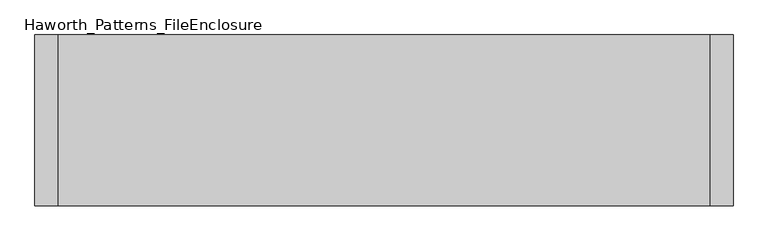
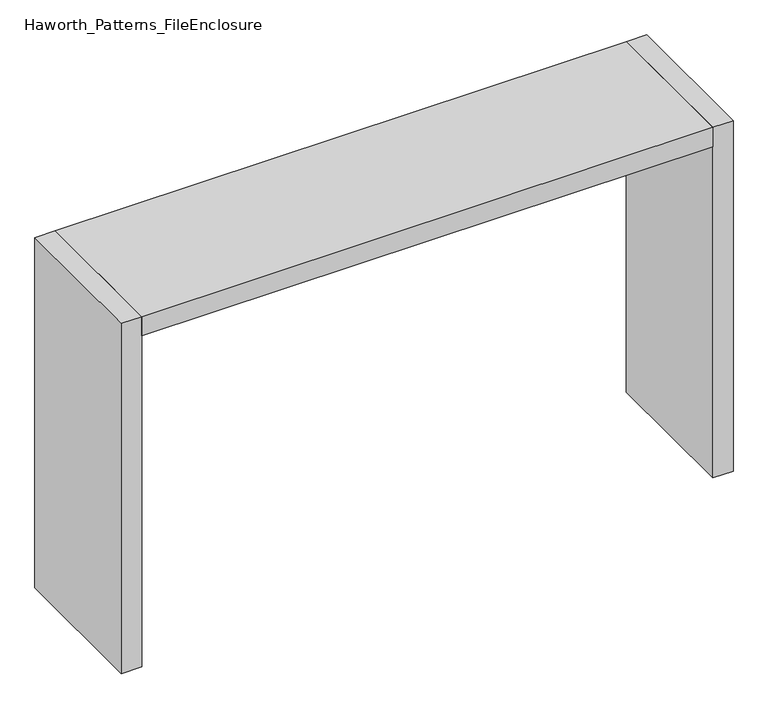
"""IFC4 building model written with IfcOpenShell, lengths in millimetres: furniture geometry, Haworth_Patterns_FileEnclosure."""

from ifc_helpers import new_model, si_unit, frame, origin, origin_with_axes, place, context, project, spatial, polyline, outline, extrude, source, transform, mapped, element, save


def haworth_patterns_fileenclosure_02af2caf(model_context):
    return source(origin(), model_context, "Body", "SweptSolid", [
        extrude(outline(polyline([(1066.8, 0.0), (1066.8, -558.8), (-1066.8, -558.8), (-1066.8, 0.0), (1066.8, 0.0)])), frame((0.0, 0.0, 1308.1), z_axis=(0.0, 0.0, 1.0), x_axis=(1.0, 0.0, 0.0)), (0.0, 0.0, 1.0), 76.2),
        extrude(outline(polyline([(1066.8, 0.0), (1143.0, 0.0), (1143.0, -558.8), (1066.8, -558.8), (1066.8, 0.0)])), origin_with_axes(), (0.0, 0.0, 1.0), 1384.3),
        extrude(outline(polyline([(-1066.8, 0.0), (-1066.8, -558.8), (-1143.0, -558.8), (-1143.0, 0.0), (-1066.8, 0.0)])), origin_with_axes(), (0.0, 0.0, 1.0), 1384.3),
    ])


if __name__ == "__main__":
    model = new_model("IFC4")
    model_context = context("Model", 3, world=origin())
    ifc_project = project(units=[si_unit("LENGTHUNIT", "METRE", prefix="MILLI")], contexts=[model_context])
    site = spatial("IfcSite", under=ifc_project)
    building = spatial("IfcBuilding", under=site)
    placement = place(None, origin())
    haworth_patterns_fileenclosure_shape = haworth_patterns_fileenclosure_02af2caf(model_context)
    element("IfcFurniture", 1, ObjectType="Haworth_Patterns_FileEnclosure", at=placement, inside=building, context=model_context, shape_type="MappedRepresentation", body=[
        mapped(haworth_patterns_fileenclosure_shape, transform((0.0, 0.0, 0.0), x_axis=(1.0, 0.0, 0.0), y_axis=(0.0, 1.0, 0.0), z_axis=(0.0, 0.0, 1.0))),
    ])
    save(model, "model.ifc")
